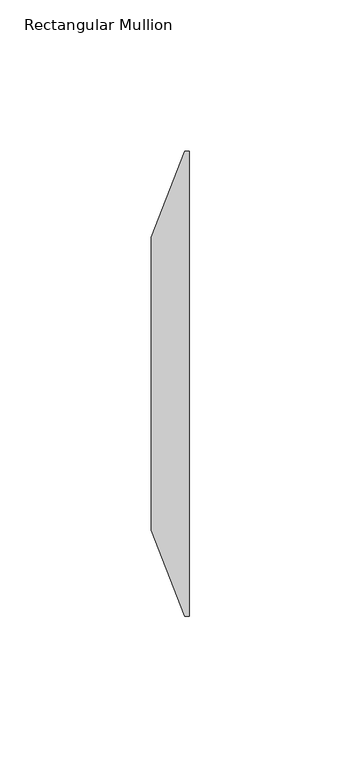
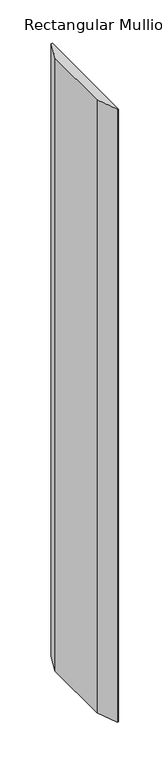
"""IFC4 building model written with IfcOpenShell, lengths in millimetres: member geometry, Rectangular Mullion."""

from ifc_helpers import new_model, si_unit, frame, origin, place, context, project, spatial, polyline, outline, extrude, source, transform, mapped, element, save


def rectangular_mullion_02e98861(model_context):
    return source(origin(), model_context, "Body", "SweptSolid", [
        extrude(outline(polyline([(0.0, -66.675), (-1.5875, -66.675), (-12.7, -38.1), (-12.7, 58.7375), (-1.5875, 87.3125), (0.0, 87.3125), (0.0, -66.675)])), frame((0.0, 0.0, -867.41), z_axis=(0.0, 0.0, 1.0), x_axis=(1.0, 0.0, 0.0)), (0.0, 0.0, 1.0), 867.41),
    ])


if __name__ == "__main__":
    model = new_model("IFC4")
    model_context = context("Model", 3, world=origin())
    ifc_project = project(units=[si_unit("LENGTHUNIT", "METRE", prefix="MILLI")], contexts=[model_context])
    site = spatial("IfcSite", under=ifc_project)
    building = spatial("IfcBuilding", under=site)
    placement = place(None, origin())
    rectangular_mullion_shape = rectangular_mullion_02e98861(model_context)
    element("IfcMember", 1, ObjectType="Rectangular Mullion", at=placement, inside=building, context=model_context, shape_type="MappedRepresentation", body=[
        mapped(rectangular_mullion_shape, transform((0.0, 0.0, 0.0), x_axis=(1.0, 0.0, 0.0), y_axis=(0.0, 1.0, 0.0), z_axis=(0.0, 0.0, 1.0))),
    ])
    save(model, "model.ifc")
